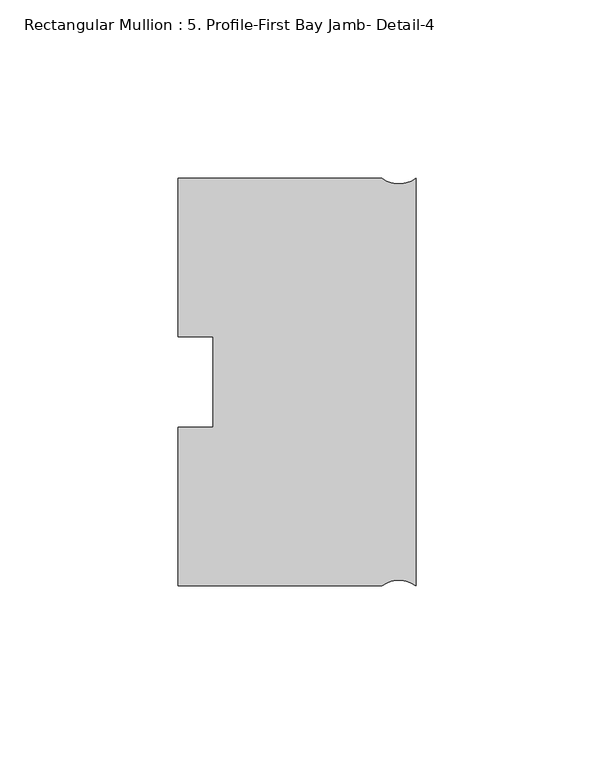
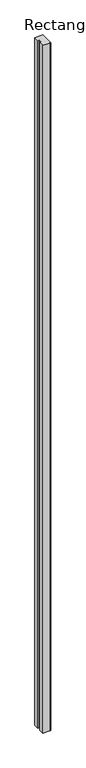
"""IFC4 building model written with IfcOpenShell, lengths in millimetres: member geometry, Rectangular Mullion : 5. Profile-First Bay Jamb- Detail-4."""

from ifc_helpers import new_model, si_unit, point, frame, frame_2d, origin, place, context, project, spatial, polyline, circle_curve, trimmed, segment, composite_curve, outline, extrude, source, transform, mapped, element, save


def rectangular_mullion_5_profile_first_bay_jamb_detail_4_8a72d513(model_context):
    return source(origin(), model_context, "Body", "SweptSolid", [
        extrude(outline(composite_curve([segment(polyline([(-66.675, -57.15), (-66.675, -12.7), (-56.8325, -12.7), (-56.8325, 12.7), (-66.675, 12.7), (-66.675, 57.15), (-9.525, 57.15)]), True, "CONTINUOUS"), segment(trimmed(circle_curve(frame_2d((-4.7625, 63.5)), 7.9375), [point((-9.525, 57.15))], [point((0.0, 57.15))], True, "CARTESIAN"), True, "CONTINUOUS"), segment(polyline([(0.0, 57.15), (0.0, -57.15)]), True, "CONTINUOUS"), segment(trimmed(circle_curve(frame_2d((-4.7625, -63.5)), 7.9375), [point((0.0, -57.15))], [point((-9.525, -57.15))], True, "CARTESIAN"), True, "CONTINUOUS"), segment(polyline([(-9.525, -57.15), (-66.675, -57.15)]), True, "CONTINUOUS")], self_intersect=False)), frame((0.0, 0.0, -6096.0), z_axis=(0.0, 0.0, 1.0), x_axis=(1.0, 0.0, 0.0)), (0.0, 0.0, 1.0), 6096.0),
    ])


if __name__ == "__main__":
    model = new_model("IFC4")
    model_context = context("Model", 3, world=origin())
    ifc_project = project(units=[si_unit("LENGTHUNIT", "METRE", prefix="MILLI")], contexts=[model_context])
    site = spatial("IfcSite", under=ifc_project)
    building = spatial("IfcBuilding", under=site)
    placement = place(None, origin())
    rectangular_mullion_5_profile_first_bay_jamb_detail_4_shape = rectangular_mullion_5_profile_first_bay_jamb_detail_4_8a72d513(model_context)
    element("IfcMember", 1, ObjectType="Rectangular Mullion : 5. Profile-First Bay Jamb- Detail-4", at=placement, inside=building, context=model_context, shape_type="MappedRepresentation", body=[
        mapped(rectangular_mullion_5_profile_first_bay_jamb_detail_4_shape, transform((0.0, 0.0, 0.0), x_axis=(1.0, 0.0, 0.0), y_axis=(0.0, 1.0, 0.0), z_axis=(0.0, 0.0, 1.0))),
    ])
    save(model, "model.ifc")
